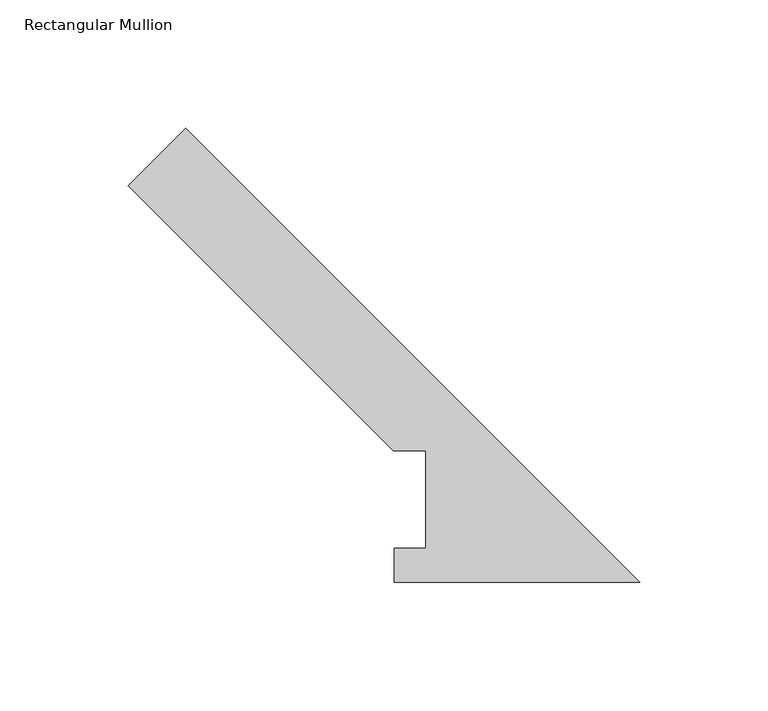
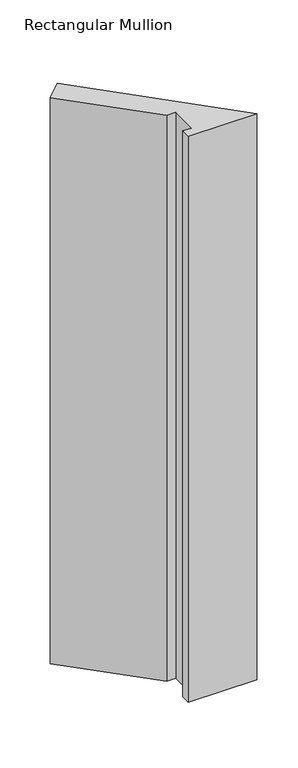
"""IFC4 building model written with IfcOpenShell, lengths in millimetres: member geometry, Rectangular Mullion."""

from ifc_helpers import new_model, si_unit, frame, origin, place, context, project, spatial, polyline, outline, extrude, source, transform, mapped, element, save


def rectangular_mullion_5a800f68(model_context):
    return source(origin(), model_context, "Body", "SweptSolid", [
        extrude(outline(polyline([(-199.4709459, 154.5869997), (-177.0203056, 177.03764), (0.0, 0.0173344), (-95.7961125, 0.0173344), (-95.7961125, 13.1903275), (-83.48004, 13.1903275), (-83.48004, 51.2960938), (-96.18004, 51.2960938), (-199.4709459, 154.5869997)])), frame((0.0, 0.0, -838.2000001), z_axis=(0.0, 0.0, 1.0), x_axis=(1.0, 0.0, 0.0)), (0.0, 0.0, 1.0), 838.2000001),
    ])


if __name__ == "__main__":
    model = new_model("IFC4")
    model_context = context("Model", 3, world=origin())
    ifc_project = project(units=[si_unit("LENGTHUNIT", "METRE", prefix="MILLI")], contexts=[model_context])
    site = spatial("IfcSite", under=ifc_project)
    building = spatial("IfcBuilding", under=site)
    placement = place(None, origin())
    rectangular_mullion_shape = rectangular_mullion_5a800f68(model_context)
    element("IfcMember", 1, ObjectType="Rectangular Mullion", at=placement, inside=building, context=model_context, shape_type="MappedRepresentation", body=[
        mapped(rectangular_mullion_shape, transform((0.0, 0.0, 0.0), x_axis=(1.0, 0.0, 0.0), y_axis=(0.0, 1.0, 0.0), z_axis=(0.0, 0.0, 1.0))),
    ])
    save(model, "model.ifc")
